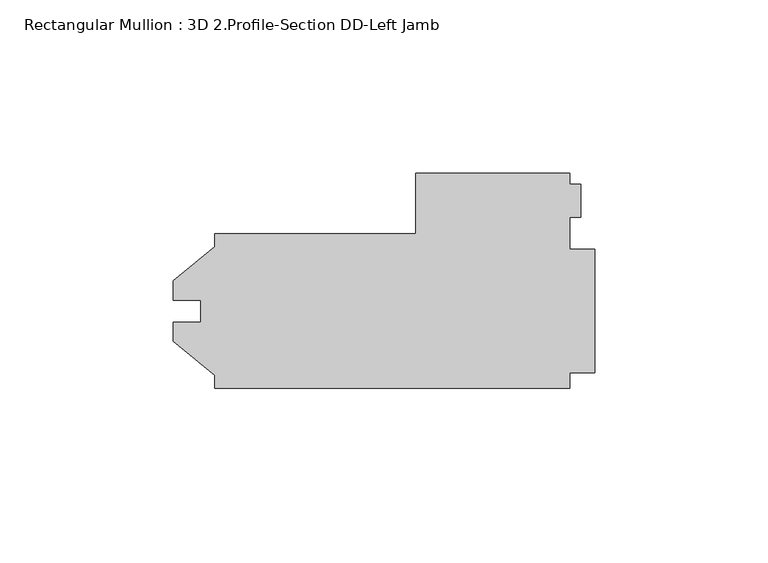
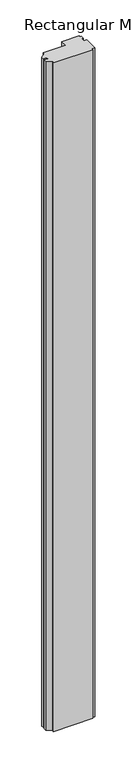
"""IFC4 building model written with IfcOpenShell, lengths in millimetres: member geometry, Rectangular Mullion : 3D 2.Profile-Section DD-Left Jamb."""

from ifc_helpers import new_model, si_unit, frame, origin, place, context, project, spatial, polyline, outline, extrude, source, transform, mapped, element, save


def rectangular_mullion_3d_2_profile_section_dd_left_jamb_c0d037d7(model_context):
    return source(origin(), model_context, "Body", "SweptSolid", [
        extrude(outline(polyline([(-109.5248, -22.2123), (-109.5248, -18.506136), (-121.43105, -8.7376), (-121.43105, -3.1623), (-113.4872, -3.1623), (-113.4872, 3.1877), (-121.43105, 3.1877), (-121.43105, 8.763), (-109.5248, 18.531536), (-109.5248, 22.2377), (-51.5874, 22.2377), (-51.5874, 39.6875), (-7.1924372, 39.6875), (-7.1924372, 36.5125), (-3.9624, 36.5125), (-3.9624, 26.9956909), (-7.1374, 26.9956909), (-7.1374, 17.872075), (0.0, 17.872075), (0.0, -17.846675), (-7.1374, -17.846675), (-7.1374, -22.2123), (-109.5248, -22.2123)])), frame((0.0, 0.0, -1828.00625), z_axis=(0.0, 0.0, 1.0), x_axis=(1.0, 0.0, 0.0)), (0.0, 0.0, 1.0), 1828.00625),
    ])


if __name__ == "__main__":
    model = new_model("IFC4")
    model_context = context("Model", 3, world=origin())
    ifc_project = project(units=[si_unit("LENGTHUNIT", "METRE", prefix="MILLI")], contexts=[model_context])
    site = spatial("IfcSite", under=ifc_project)
    building = spatial("IfcBuilding", under=site)
    placement = place(None, origin())
    rectangular_mullion_3d_2_profile_section_dd_left_jamb_shape = rectangular_mullion_3d_2_profile_section_dd_left_jamb_c0d037d7(model_context)
    element("IfcMember", 1, ObjectType="Rectangular Mullion : 3D 2.Profile-Section DD-Left Jamb", at=placement, inside=building, context=model_context, shape_type="MappedRepresentation", body=[
        mapped(rectangular_mullion_3d_2_profile_section_dd_left_jamb_shape, transform((0.0, 0.0, 0.0), x_axis=(1.0, 0.0, 0.0), y_axis=(0.0, 1.0, 0.0), z_axis=(0.0, 0.0, 1.0))),
    ])
    save(model, "model.ifc")
